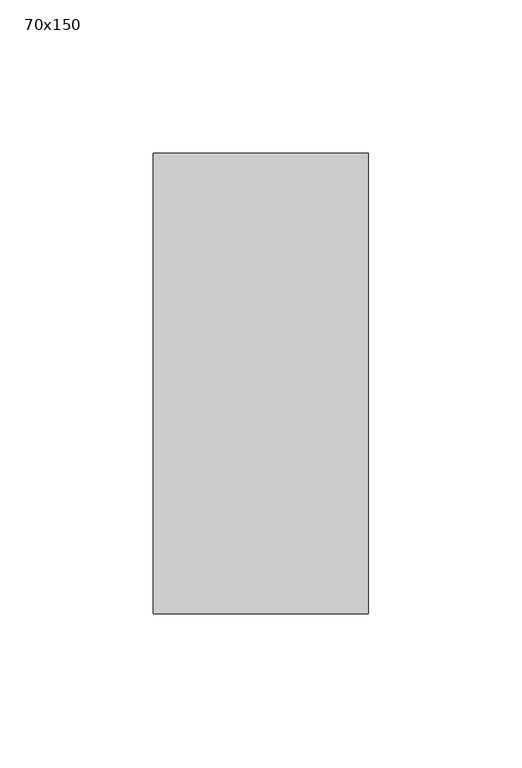
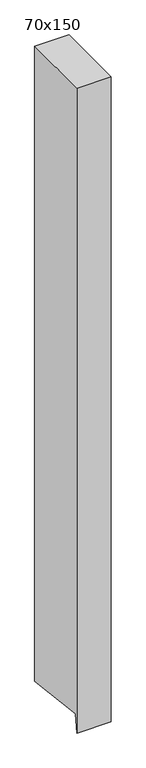
"""IFC4 building model written with IfcOpenShell, lengths in millimetres: member geometry, 70x150."""

from ifc_helpers import new_model, si_unit, frame, origin, place, context, project, spatial, polyline, outline, extrude, source, transform, mapped, element, save


def member_70x150_8ed7a741(model_context):
    return source(origin(), model_context, "Body", "SweptSolid", [
        extrude(outline(polyline([(-75.0, 0.0), (75.0, 0.0), (75.0, -1378.4545813), (-70.1901706, -1360.6766403), (-75.0, -1399.957902), (-75.0, 0.0)])), frame((-70.0, 0.0, 0.0), z_axis=(1.0, 0.0, 0.0), x_axis=(0.0, 1.0, 0.0)), (0.0, 0.0, 1.0), 70.0),
    ])


if __name__ == "__main__":
    model = new_model("IFC4")
    model_context = context("Model", 3, world=origin())
    ifc_project = project(units=[si_unit("LENGTHUNIT", "METRE", prefix="MILLI")], contexts=[model_context])
    site = spatial("IfcSite", under=ifc_project)
    building = spatial("IfcBuilding", under=site)
    placement = place(None, origin())
    member_70x150_shape = member_70x150_8ed7a741(model_context)
    element("IfcMember", 1, ObjectType="70x150", at=placement, inside=building, context=model_context, shape_type="MappedRepresentation", body=[
        mapped(member_70x150_shape, transform((0.0, 0.0, 0.0), x_axis=(1.0, 0.0, 0.0), y_axis=(0.0, 1.0, 0.0), z_axis=(0.0, 0.0, 1.0))),
    ])
    save(model, "model.ifc")
